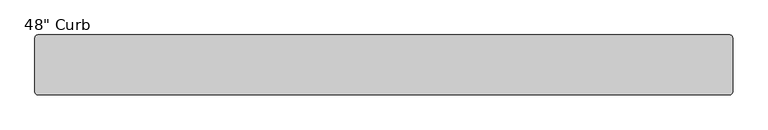
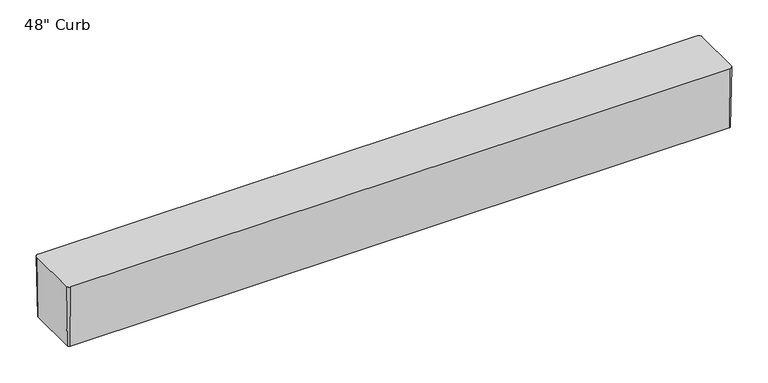
"""IFC4 building model written with IfcOpenShell, lengths in millimetres: proxy geometry."""

from ifc_helpers import new_model, si_unit, frame, origin, place, context, project, spatial, polyline, circle_curve, source, transform, mapped, element, save
from ifc_brep_helpers import plane_surface, revolved_surface, advanced_brep


def proxy_eb12ef7b(model_context):
    return source(origin(), model_context, "Body", "AdvancedBrep", [
        advanced_brep(
        [(-660.4, -54.76875, 0.0), (-664.36875, -50.8, 0.0), (-664.36875, 50.8, 0.0), (-660.4, 54.76875, 0.0), (660.4, 54.76875, 0.0), (664.36875, 50.8, 0.0), (664.36875, -50.8, 0.0), (660.4, -54.76875, 0.0), (-411.238642, -31.75, 0.0), (-411.238642, 31.75, 0.0), (-436.638642, 31.75, 0.0), (-436.638642, -31.75, 0.0), (634.923858, -31.75, 0.0), (634.923858, 31.75, 0.0), (609.523858, 31.75, 0.0), (609.523858, -31.75, 0.0), (-660.4, -57.15, 127.0), (660.4, -57.15, 127.0), (666.75, -50.8, 127.0), (666.75, 50.8, 127.0), (660.4, 57.15, 127.0), (-660.4, 57.15, 127.0), (-666.75, 50.8, 127.0), (-666.75, -50.8, 127.0), (-411.238642, -31.75, 63.5), (-411.238642, 31.75, 63.5), (-436.638642, -31.75, 63.5), (-436.638642, 31.75, 63.5), (634.923858, -31.75, 63.5), (634.923858, 31.75, 63.5), (609.523858, -31.75, 63.5), (609.523858, 31.75, 63.5)],
        [
            (0, 1, circle_curve(frame((-660.4, -50.8, 0.0), z_axis=(0.0, 0.0, -1.0), x_axis=(6.821210263296973e-12, -1.0, 0.0)), 3.96875)),
            (1, 2),
            (2, 3, circle_curve(frame((-660.4, 50.8, 0.0), z_axis=(0.0, 0.0, -1.0), x_axis=(-1.0, -5.538680625249667e-12, 0.0)), 3.96875)),
            (3, 4),
            (4, 5, circle_curve(frame((660.4, 50.8, 0.0), z_axis=(0.0, 0.0, -1.0), x_axis=(5.6843418860807934e-12, 1.0, 0.0)), 3.96875)),
            (5, 6),
            (6, 7, circle_curve(frame((660.4, -50.8, 0.0), z_axis=(0.0, 0.0, -1.0), x_axis=(1.0, -4.437339384821823e-12, 0.0)), 3.96875)),
            (7, 0),
            (8, 9),
            (9, 10),
            (10, 11),
            (11, 8),
            (12, 13),
            (13, 14),
            (14, 15),
            (15, 12),
            (16, 17),
            (17, 18, circle_curve(frame((660.4, -50.8, 127.0), z_axis=(0.0, 0.0, 1.0), x_axis=(1.0, -4.437339384821823e-12, 0.0)), 6.35)),
            (18, 19),
            (19, 20, circle_curve(frame((660.4, 50.8, 127.0), z_axis=(0.0, 0.0, 1.0), x_axis=(5.6843418860807934e-12, 1.0, 0.0)), 6.35)),
            (20, 21),
            (21, 22, circle_curve(frame((-660.4, 50.8, 127.0), z_axis=(0.0, 0.0, 1.0), x_axis=(-1.0, -5.538680625249667e-12, 0.0)), 6.35)),
            (22, 23),
            (23, 16, circle_curve(frame((-660.4, -50.8, 127.0), z_axis=(0.0, 0.0, 1.0), x_axis=(6.821210263296973e-12, -1.0, 0.0)), 6.35)),
            (7, 17),
            (16, 0),
            (6, 18),
            (5, 19),
            (4, 20),
            (3, 21),
            (2, 22),
            (1, 23),
            (24, 25),
            (25, 9),
            (8, 24),
            (26, 11),
            (10, 27),
            (27, 26),
            (26, 24),
            (25, 27),
            (28, 29),
            (29, 13),
            (12, 28),
            (30, 15),
            (14, 31),
            (31, 30),
            (30, 28),
            (29, 31),
        ],
        [
            plane_surface(frame((0.0, 0.0, 0.0), z_axis=(0.0, 0.0, -1.0), x_axis=(-1.0, 8.043098839444504e-12, 0.0))),
            plane_surface(frame((0.0, 0.0, 127.0), z_axis=(0.0, 0.0, 1.0), x_axis=(-1.0, 2.47954921844292e-12, 0.0))),
            plane_surface(frame((0.0, -57.15, 127.0), z_axis=(0.0, -0.9998242650849978, -0.018746704970319213), x_axis=(-1.0, 0.0, 0.0))),
            revolved_surface(polyline([(664.3687500002344, -50.8, 0.0), (666.75, -50.8, 127.0)]), (660.4, -50.8, -211.6666667), (0.0, 0.0, 1.0)),
            plane_surface(frame((666.75, 0.0, 127.0), z_axis=(0.9998242650849973, 0.0, -0.018746704970342375), x_axis=(0.0, -1.0, 0.0))),
            revolved_surface(polyline([(660.4, 54.76875000023438, 0.0), (660.4, 57.15, 127.0)]), (660.4, 50.8, -211.6666667), (0.0, 0.0, 1.0)),
            plane_surface(frame((0.0, 57.15, 127.0), z_axis=(0.0, 0.9998242650849969, -0.018746704970365805), x_axis=(1.0, 0.0, 0.0))),
            revolved_surface(polyline([(-664.3687500002344, 50.8, 0.0), (-666.75, 50.8, 127.0)]), (-660.4, 50.8, -211.6666667), (0.0, 0.0, 1.0)),
            plane_surface(frame((-666.75, 0.0, 127.0), z_axis=(-0.9998242650849976, 0.0, -0.018746704970332786), x_axis=(0.0, 1.0, 0.0))),
            revolved_surface(polyline([(-660.4, -54.76875000023438, 0.0), (-660.4, -57.15, 127.0)]), (-660.4, -50.8, -211.6666667), (0.0, 0.0, 1.0)),
            plane_surface(frame((-411.238642, -31.75, 63.5), z_axis=(-1.0, 0.0, 0.0), x_axis=(0.0, 0.0, -1.0))),
            plane_surface(frame((-436.638642, -31.75, 63.5), z_axis=(1.0, 0.0, 0.0), x_axis=(0.0, 0.0, 1.0))),
            plane_surface(frame((-411.238642, -31.75, 63.5), z_axis=(0.0, 1.0, 0.0), x_axis=(-1.0, 0.0, 0.0))),
            plane_surface(frame((-411.238642, 31.75, 0.0), z_axis=(0.0, -1.0, 0.0), x_axis=(-1.0, 0.0, 0.0))),
            plane_surface(frame((-411.238642, 31.75, 63.5), z_axis=(0.0, 0.0, -1.0), x_axis=(-1.0, 0.0, 0.0))),
            plane_surface(frame((634.923858, -31.75, 63.5), z_axis=(-1.0, 0.0, 0.0), x_axis=(0.0, 0.0, -1.0))),
            plane_surface(frame((609.523858, -31.75, 63.5), z_axis=(1.0, 0.0, 0.0), x_axis=(0.0, 0.0, 1.0))),
            plane_surface(frame((634.923858, -31.75, 63.5), z_axis=(0.0, 1.0, 0.0), x_axis=(-1.0, 0.0, 0.0))),
            plane_surface(frame((634.923858, 31.75, 0.0), z_axis=(0.0, -1.0, 0.0), x_axis=(-1.0, 0.0, 0.0))),
            plane_surface(frame((634.923858, 31.75, 63.5), z_axis=(0.0, 0.0, -1.0), x_axis=(-1.0, 0.0, 0.0))),
        ],
        [
            (0, [[1, 2, 3, 4, 5, 6, 7, 8], [9, 10, 11, 12], [13, 14, 15, 16]]),
            (1, [[17, 18, 19, 20, 21, 22, 23, 24]]),
            (2, [[-8, 25, -17, 26]]),
            (3, [[-7, 27, -18, -25]]),
            (4, [[-6, 28, -19, -27]]),
            (5, [[-5, 29, -20, -28]]),
            (6, [[-4, 30, -21, -29]]),
            (7, [[-3, 31, -22, -30]]),
            (8, [[-2, 32, -23, -31]]),
            (9, [[-1, -26, -24, -32]]),
            (10, [[33, 34, -9, 35]]),
            (11, [[36, -11, 37, 38]]),
            (12, [[-35, -12, -36, 39]]),
            (13, [[-34, 40, -37, -10]]),
            (14, [[-33, -39, -38, -40]]),
            (15, [[41, 42, -13, 43]]),
            (16, [[44, -15, 45, 46]]),
            (17, [[-43, -16, -44, 47]]),
            (18, [[-42, 48, -45, -14]]),
            (19, [[-41, -47, -46, -48]]),
        ],
    ),
    ])


if __name__ == "__main__":
    model = new_model("IFC4")
    model_context = context("Model", 3, world=origin())
    ifc_project = project(units=[si_unit("LENGTHUNIT", "METRE", prefix="MILLI")], contexts=[model_context])
    site = spatial("IfcSite", under=ifc_project)
    building = spatial("IfcBuilding", under=site)
    placement = place(None, origin())
    proxy_shape = proxy_eb12ef7b(model_context)
    element("IfcBuildingElementProxy", 1, Name="48\" Curb", ObjectType="48\" Curb", at=placement, inside=building, context=model_context, shape_type="MappedRepresentation", body=[
        mapped(proxy_shape, transform((0.0, 0.0, 0.0), x_axis=(1.0, 0.0, 0.0), y_axis=(0.0, 1.0, 0.0), z_axis=(0.0, 0.0, 1.0))),
    ])
    save(model, "model.ifc")
